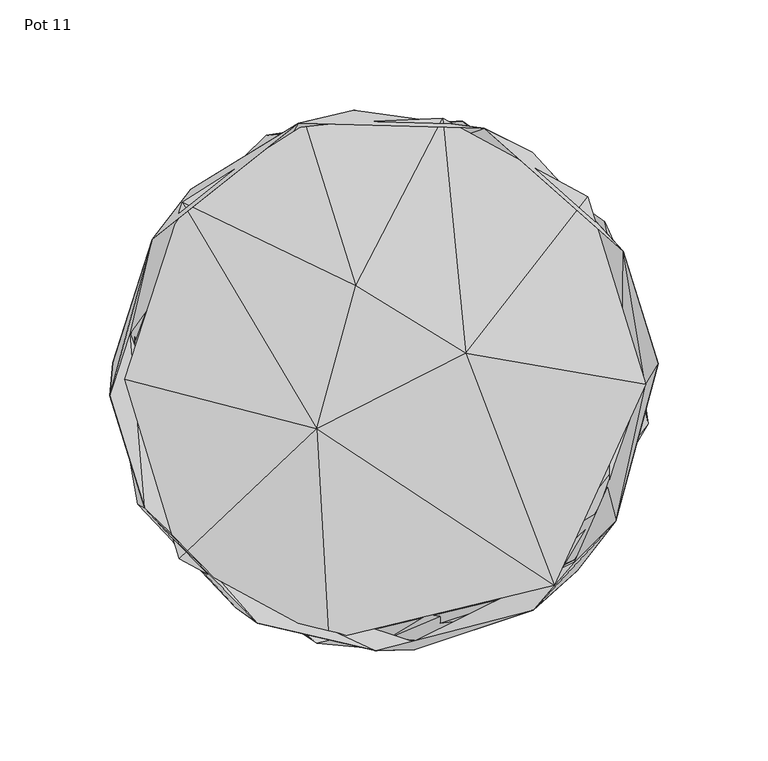
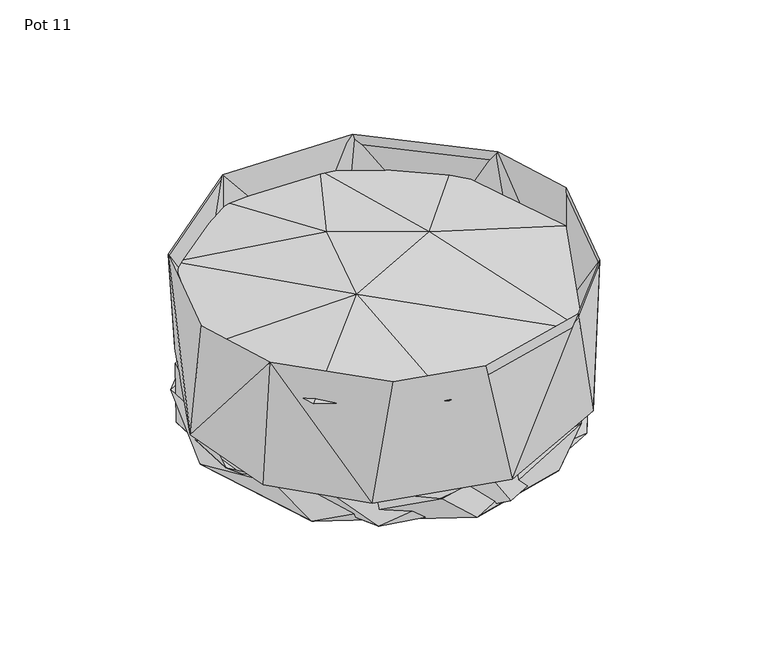
"""IFC4 building model written with IfcOpenShell, lengths in millimetres: furniture geometry, Pot 11."""

from ifc_helpers import new_model, si_unit, origin, place, context, project, spatial, triangles, source, transform, mapped, element, save


def pot_11_7ade570e(model_context):
    return source(origin(), model_context, "Body", "Tessellation", [
        triangles([(-13.7469773, 122.7334696, 21.6857584), (45.5739488, 114.3707079, 107.1736726), (67.3861485, 103.603896, 21.6857584), (28.1989578, 116.4596701, 24.680929), (-39.0198249, 116.6946849, 107.1626359), (108.7507021, 58.4305541, 107.0570918), (-67.386748, -103.6039596, 21.6857584), (13.7455466, -122.732643, 21.6857584), (-3.7103295, -123.0604664, 107.17588), (-57.5798747, -110.5842566, 107.1736726), (-108.753082, -58.4301953, 107.0568465), (-111.9971246, -56.4173458, 21.6857584), (13.3305783, -119.0806584, 24.680929), (-76.1230607, -89.3698902, 24.680929), (67.8492788, -104.6543133, 107.1395904), (86.7555149, -82.6511415, 24.680929), (87.8753048, -86.7494378, 21.6857584), (-115.4590226, 21.2383271, 24.680929), (105.2913656, -64.2817004, 107.0425033), (119.5858692, -7.5471399, 24.680929), (120.7783836, 7.0933102, 21.6857584), (-123.2569206, 7.7754259, 21.6857584), (124.5594664, 7.3753595, 107.0844339), (96.4602277, 71.0865267, 24.680929), (-124.6191285, -7.11143, 107.0317209), (-105.4529564, 63.9001149, 107.0362537), (-87.8778664, 86.7500919, 21.6857584), (-53.2567511, 107.3403322, 24.680929)], [[1, 2, 3], [4, 2, 5], [3, 2, 6], [7, 8, 9], [7, 9, 10], [7, 10, 11], [7, 11, 12], [13, 14, 9], [13, 9, 15], [13, 15, 16], [8, 17, 15], [8, 15, 9], [14, 10, 9], [14, 11, 10], [14, 18, 11], [16, 15, 19], [16, 19, 20], [17, 19, 15], [17, 21, 19], [12, 11, 22], [20, 19, 23], [20, 23, 6], [20, 6, 24], [22, 11, 25], [22, 25, 26], [22, 26, 27], [18, 26, 25], [18, 25, 11], [18, 28, 26], [21, 23, 19], [21, 6, 23], [21, 3, 6], [27, 5, 1], [27, 26, 5], [24, 2, 4], [24, 6, 2], [28, 5, 26], [28, 4, 5], [1, 5, 2]], closed=False),
        triangles([(77.4292945, -93.3779486, 85.4466195), (37.0344514, 12.2002364, 104.4311892), (-30.6751739, -22.268415, 105.4014607), (-117.8287908, 0.2990961, 85.8766532), (-91.7248155, 80.8631147, 86.6631695), (-12.9434471, 42.7948215, 103.2484671), (118.891235, -1.8848181, 88.4175137), (92.668953, 83.3814112, 85.0138879), (26.7133722, 119.0447231, 85.6336902), (-35.7989073, 116.1580715, 87.0076524), (-93.0908931, -81.2127573, 86.5624125), (-25.0500448, -118.1497559, 87.3130208)], [[1, 2, 3], [4, 3, 5], [3, 2, 6], [3, 6, 5], [7, 8, 2], [2, 9, 6], [2, 8, 9], [6, 10, 5], [6, 9, 10], [11, 12, 3], [11, 3, 4], [12, 1, 3], [1, 7, 2]], closed=False),
        triangles([(-62.5204435, -102.6349053, 3.2464977), (2.0264983, -117.429015, 24.6645351), (15.375733, -118.4963009, 3.5367836), (-85.7608354, -83.6634616, 24.6645351), (120.000188, -3.3003093, 3.300068), (23.7781407, 117.7617891, 3.2625564), (-111.1453143, 44.7998045, 3.3889436), (-116.7905911, -21.57545, 14.0177297), (-30.579329, -119.6171082, 21.6837123), (-8.7156295, -121.7262727, 2.426145), (75.8410103, -94.2314848, 21.6837123), (-92.7963253, -78.0729053, 2.7095665), (-105.9714568, -58.3263635, 21.6837123), (-118.6198035, 4.3028592, 1.2658589), (55.5636279, -103.4401614, 1.2061591), (86.3388797, -82.0108644, 3.7240965), (102.7093557, -56.9585555, 24.6645351), (109.2776049, 52.0533316, 2.2018108), (120.0793347, -19.9906834, 15.366186), (-16.9388053, 116.9484303, 1.1289292), (-106.0025686, 59.8559395, 15.366186), (102.3656721, 60.2196437, 14.0177297), (-97.2868215, 69.9281672, 24.6645351), (100.311101, 71.9782101, 21.6837123), (-41.5292965, 111.2688805, 14.0176071), (-53.4653684, 111.2881926, 21.6837123), (51.9713781, 107.9502695, 24.6645351), (35.8355034, 117.5653348, 17.2477753)], [[1, 2, 3], [1, 4, 2], [1, 3, 5], [1, 5, 6], [1, 6, 7], [1, 7, 8], [1, 8, 4], [9, 10, 11], [9, 12, 10], [9, 13, 12], [10, 12, 14], [10, 14, 15], [10, 15, 11], [2, 16, 3], [2, 17, 16], [3, 16, 5], [15, 18, 19], [15, 14, 20], [15, 20, 18], [15, 19, 11], [12, 13, 14], [16, 17, 5], [13, 21, 14], [17, 22, 5], [8, 7, 23], [5, 22, 6], [19, 18, 24], [14, 21, 20], [7, 6, 25], [7, 25, 23], [21, 26, 20], [22, 27, 6], [18, 28, 24], [18, 20, 28], [26, 28, 20], [25, 6, 27]], closed=False),
    ])


if __name__ == "__main__":
    model = new_model("IFC4")
    model_context = context("Model", 3, world=origin())
    ifc_project = project(units=[si_unit("LENGTHUNIT", "METRE", prefix="MILLI")], contexts=[model_context])
    site = spatial("IfcSite", under=ifc_project)
    building = spatial("IfcBuilding", under=site)
    placement = place(None, origin())
    pot_11_shape = pot_11_7ade570e(model_context)
    element("IfcFurniture", 1, ObjectType="Pot 11", at=placement, inside=building, context=model_context, shape_type="MappedRepresentation", body=[
        mapped(pot_11_shape, transform((0.0, 0.0, 0.0), x_axis=(1.0, 0.0, 0.0), y_axis=(0.0, 1.0, 0.0), z_axis=(0.0, 0.0, 1.0))),
    ])
    save(model, "model.ifc")
